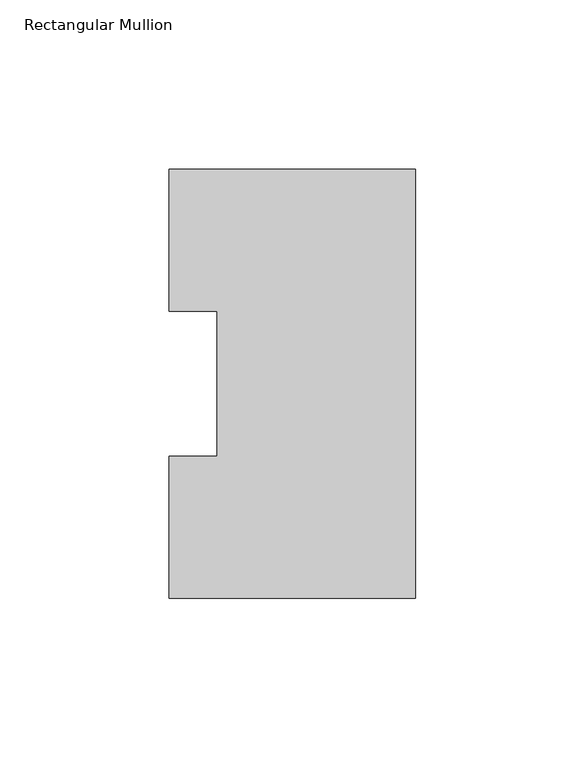
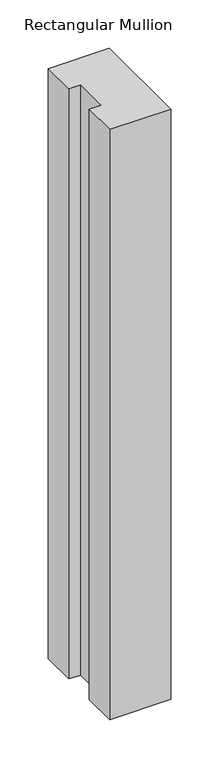
"""IFC4 building model written with IfcOpenShell, lengths in millimetres: member geometry, Rectangular Mullion."""

from ifc_helpers import new_model, si_unit, frame, origin, place, context, project, spatial, polyline, outline, extrude, source, transform, mapped, element, save


def rectangular_mullion_ab24e1dc(model_context):
    return source(origin(), model_context, "Body", "SweptSolid", [
        extrude(outline(polyline([(0.0, 126.7086937), (0.0, -0.2913063), (-73.025, -0.2913063), (-73.025, 41.7837937), (-58.7375, 41.7837937), (-58.7375, 84.6335938), (-73.025, 84.6335938), (-73.025, 126.7086937), (0.0, 126.7086937)])), frame((0.0, 0.0, -746.1247287), z_axis=(0.0, 0.0, 1.0), x_axis=(1.0, 0.0, 0.0)), (0.0, 0.0, 1.0), 746.1247287),
    ])


if __name__ == "__main__":
    model = new_model("IFC4")
    model_context = context("Model", 3, world=origin())
    ifc_project = project(units=[si_unit("LENGTHUNIT", "METRE", prefix="MILLI")], contexts=[model_context])
    site = spatial("IfcSite", under=ifc_project)
    building = spatial("IfcBuilding", under=site)
    placement = place(None, origin())
    rectangular_mullion_shape = rectangular_mullion_ab24e1dc(model_context)
    element("IfcMember", 1, ObjectType="Rectangular Mullion", at=placement, inside=building, context=model_context, shape_type="MappedRepresentation", body=[
        mapped(rectangular_mullion_shape, transform((0.0, 0.0, 0.0), x_axis=(1.0, 0.0, 0.0), y_axis=(0.0, 1.0, 0.0), z_axis=(0.0, 0.0, 1.0))),
    ])
    save(model, "model.ifc")
